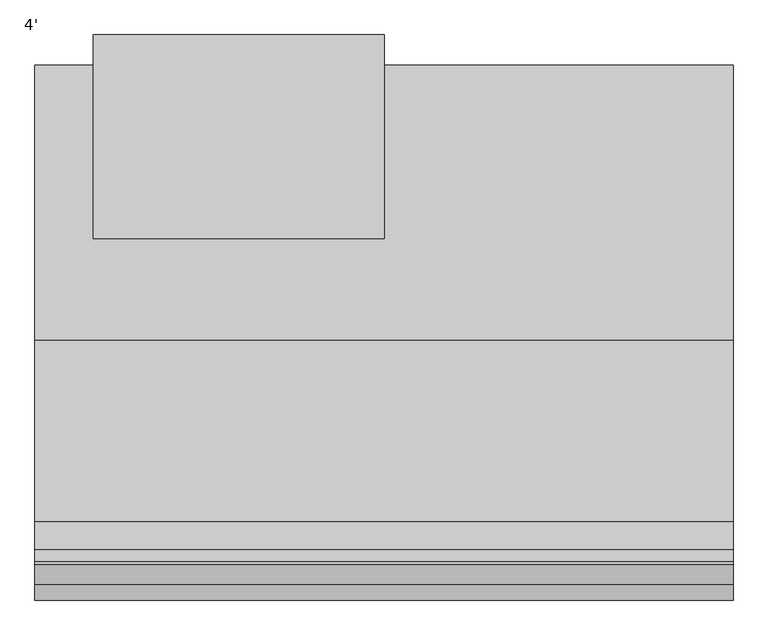
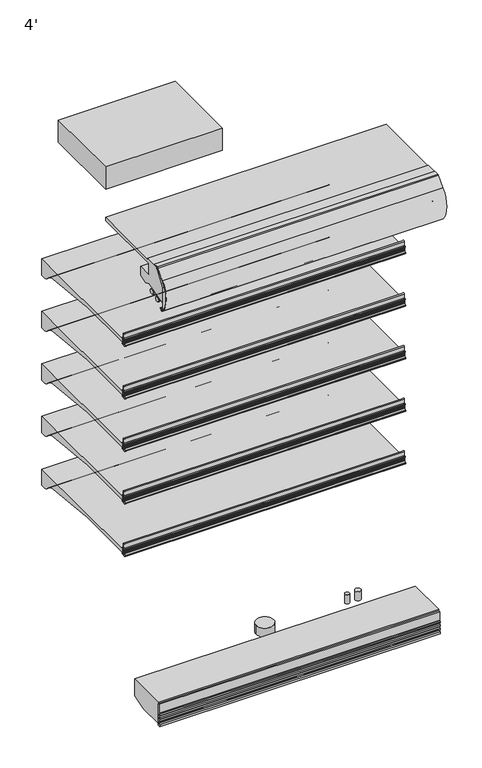
"""IFC4 building model written with IfcOpenShell, lengths in millimetres: proxy geometry, 4'."""

from ifc_helpers import new_model, si_unit, point, frame, frame_2d, origin, place, context, project, spatial, polyline, circle_curve, trimmed, segment, composite_curve, outline, extrude, source, transform, mapped, element, save
from ifc_brep_helpers import plane_surface, cylinder_surface, advanced_brep


def proxy_4_90b18c0f(model_context):
    return source(origin(), model_context, "Body", "SolidModel", [
        extrude(outline(composite_curve([segment(polyline([(-1166.6809512, 673.3590118), (-1166.6809512, 627.2869913), (-1172.3025077, 627.2869913), (-1172.3025077, 673.3590118)]), True, "CONTINUOUS"), segment(trimmed(circle_curve(frame_2d((-1169.4917294, 673.3590118)), 2.8107783), [point((-1172.3025077, 673.3590118))], [point((-1166.6809512, 673.3590118))], False, "CARTESIAN"), True, "CONTINUOUS")], self_intersect=False)), frame((0.0, 0.0, 0.0), z_axis=(1.0, 0.0, 0.0), x_axis=(0.0, 1.0, 0.0)), (0.0, 0.0, 1.0), 1219.2),
        extrude(outline(composite_curve([segment(trimmed(circle_curve(frame_2d((-1163.4504929, 651.4868368)), 1.9280539), [point((-1161.7517309, 652.3987576))], [point((-1165.331757, 651.9090184))], True, "CARTESIAN"), True, "CONTINUOUS"), segment(polyline([(-1165.331757, 651.9090184), (-1165.250252, 627.491416)]), True, "CONTINUOUS"), segment(trimmed(circle_curve(frame_2d((-1163.3310491, 627.4978222)), 1.9192136), [point((-1165.250252, 627.491416))], [point((-1161.7034586, 626.4808021))], True, "CARTESIAN"), True, "CONTINUOUS"), segment(polyline([(-1161.7034586, 626.4808021), (-1160.7655732, 628.4261116), (-1159.7610244, 628.067256), (-1160.5780157, 625.7802423)]), True, "CONTINUOUS"), segment(trimmed(circle_curve(frame_2d((-1163.9150962, 626.6263023)), 3.4426623), [point((-1160.5780157, 625.7802423))], [point((-1163.425503, 623.2186312))], False, "CARTESIAN"), True, "CONTINUOUS"), segment(polyline([(-1163.425503, 623.2186312), (-1175.1969589, 621.2859884)]), True, "CONTINUOUS"), segment(trimmed(circle_curve(frame_2d((-1176.0623556, 624.8178953)), 3.6363825), [point((-1175.1969589, 621.2859884))], [point((-1176.8707168, 621.2724997))], False, "CARTESIAN"), True, "CONTINUOUS"), segment(trimmed(circle_curve(frame_2d((-1175.662177, 627.6109197)), 6.4526069), [point((-1176.8707168, 621.2724997))], [point((-1181.8828486, 625.8964572))], False, "CARTESIAN"), True, "CONTINUOUS"), segment(trimmed(circle_curve(frame_2d((-1181.3604941, 626.058445)), 0.5468951), [point((-1181.8828486, 625.8964572))], [point((-1180.9789417, 626.450251))], False, "CARTESIAN"), True, "CONTINUOUS"), segment(polyline([(-1180.9789417, 626.450251), (-1180.476531, 624.9916703)]), True, "CONTINUOUS"), segment(trimmed(circle_curve(frame_2d((-1179.8915211, 625.193178)), 0.6187422), [point((-1180.476531, 624.9916703))], [point((-1179.2817387, 625.0882627))], True, "CARTESIAN"), True, "CONTINUOUS"), segment(trimmed(circle_curve(frame_2d((-1200.8573005, 639.2081773)), 25.7852062), [point((-1179.2817387, 625.0882627))], [point((-1175.8138409, 633.0679827))], True, "CARTESIAN"), True, "CONTINUOUS"), segment(trimmed(circle_curve(frame_2d((-1176.043253, 634.0002362)), 0.9600659), [point((-1175.8138409, 633.0679827))], [point((-1175.3385731, 634.6522736))], True, "CARTESIAN"), True, "CONTINUOUS"), segment(polyline([(-1175.3385731, 634.6522736), (-1174.9159447, 637.4202118)]), True, "CONTINUOUS"), segment(trimmed(circle_curve(frame_2d((-1175.2488063, 638.3116775)), 0.9515818), [point((-1174.9159447, 637.4202118))], [point((-1174.7299165, 639.1093373))], True, "CARTESIAN"), True, "CONTINUOUS"), segment(polyline([(-1174.7299165, 639.1093373), (-1174.6443367, 643.2740469), (-1173.8383813, 646.5265397), (-1174.6268164, 646.72591), (-1174.6268164, 651.4923226), (-1175.4872628, 651.4923226)]), True, "CONTINUOUS"), segment(trimmed(circle_curve(frame_2d((-1183.4029864, 648.5576543)), 8.4422129), [point((-1175.4872628, 651.4923226))], [point((-1177.4034441, 654.4970525))], True, "CARTESIAN"), True, "CONTINUOUS"), segment(trimmed(circle_curve(frame_2d((-1177.9034836, 654.120097)), 0.6262068), [point((-1177.4034441, 654.4970525))], [point((-1178.3956204, 654.507313))], True, "CARTESIAN"), True, "CONTINUOUS"), segment(polyline([(-1178.3956204, 654.507313), (-1178.9699684, 652.9277082)]), True, "CONTINUOUS"), segment(trimmed(circle_curve(frame_2d((-1179.4707304, 653.0647503)), 0.5191754), [point((-1178.9699684, 652.9277082))], [point((-1179.9893103, 653.0896108))], False, "CARTESIAN"), True, "CONTINUOUS"), segment(polyline([(-1179.9893103, 653.0896108), (-1179.6344995, 654.0659516), (-1179.0270967, 655.1476351)]), True, "CONTINUOUS"), segment(trimmed(circle_curve(frame_2d((-1177.9637464, 654.6690909)), 1.1660697), [point((-1179.0270967, 655.1476351))], [point((-1178.012063, 655.8341591))], False, "CARTESIAN"), True, "CONTINUOUS"), segment(polyline([(-1178.012063, 655.8341591), (-1172.4315975, 655.8341591), (-1172.7816684, 639.8794823)]), True, "CONTINUOUS"), segment(trimmed(circle_curve(frame_2d((-1204.7325475, 641.2071084)), 31.9784501), [point((-1172.7816684, 639.8794823))], [point((-1175.8839973, 627.4091948))], False, "CARTESIAN"), True, "CONTINUOUS"), segment(trimmed(circle_curve(frame_2d((-1173.5772773, 626.4881969)), 2.4837863), [point((-1175.8839973, 627.4091948))], [point((-1173.3647043, 624.0135238))], True, "CARTESIAN"), True, "CONTINUOUS"), segment(polyline([(-1173.3647043, 624.0135238), (-1168.8550638, 624.7374041)]), True, "CONTINUOUS"), segment(trimmed(circle_curve(frame_2d((-1169.2651209, 627.3013858)), 2.5965648), [point((-1168.8550638, 624.7374041))], [point((-1166.6809512, 627.0479772))], True, "CARTESIAN"), True, "CONTINUOUS"), segment(polyline([(-1166.6809512, 627.0479772), (-1166.6809512, 655.8555063), (-1163.974361, 655.8555063)]), True, "CONTINUOUS"), segment(trimmed(circle_curve(frame_2d((-1164.2104521, 652.5229101)), 3.3409484), [point((-1163.974361, 655.8555063))], [point((-1161.2402611, 654.0525838))], False, "CARTESIAN"), True, "CONTINUOUS"), segment(polyline([(-1161.2402611, 654.0525838), (-1160.0124559, 650.9106294), (-1161.016829, 650.5181429), (-1161.7517309, 652.3987576)]), True, "CONTINUOUS")], self_intersect=False)), frame((0.0, 0.0, 0.0), z_axis=(1.0, 0.0, 0.0), x_axis=(0.0, 1.0, 0.0)), (0.0, 0.0, 1.0), 1219.2),
        extrude(outline(composite_curve([segment(polyline([(-1166.6809512, 914.6590118), (-1166.6809512, 868.5869913), (-1172.3025077, 868.5869913), (-1172.3025077, 914.6590118)]), True, "CONTINUOUS"), segment(trimmed(circle_curve(frame_2d((-1169.4917294, 914.6590118)), 2.8107783), [point((-1172.3025077, 914.6590118))], [point((-1166.6809512, 914.6590118))], False, "CARTESIAN"), True, "CONTINUOUS")], self_intersect=False)), frame((0.0, 0.0, 0.0), z_axis=(1.0, 0.0, 0.0), x_axis=(0.0, 1.0, 0.0)), (0.0, 0.0, 1.0), 1219.2),
        extrude(outline(composite_curve([segment(trimmed(circle_curve(frame_2d((-1163.4504929, 892.7868368)), 1.9280539), [point((-1161.7517309, 893.6987576))], [point((-1165.331757, 893.2090184))], True, "CARTESIAN"), True, "CONTINUOUS"), segment(polyline([(-1165.331757, 893.2090184), (-1165.250252, 868.791416)]), True, "CONTINUOUS"), segment(trimmed(circle_curve(frame_2d((-1163.3310491, 868.7978222)), 1.9192136), [point((-1165.250252, 868.791416))], [point((-1161.7034586, 867.7808021))], True, "CARTESIAN"), True, "CONTINUOUS"), segment(polyline([(-1161.7034586, 867.7808021), (-1160.7655732, 869.7261116), (-1159.7610244, 869.367256), (-1160.5780157, 867.0802423)]), True, "CONTINUOUS"), segment(trimmed(circle_curve(frame_2d((-1163.9150962, 867.9263023)), 3.4426623), [point((-1160.5780157, 867.0802423))], [point((-1163.425503, 864.5186312))], False, "CARTESIAN"), True, "CONTINUOUS"), segment(polyline([(-1163.425503, 864.5186312), (-1175.1969589, 862.5859884)]), True, "CONTINUOUS"), segment(trimmed(circle_curve(frame_2d((-1176.0623556, 866.1178953)), 3.6363825), [point((-1175.1969589, 862.5859884))], [point((-1176.8707168, 862.5724997))], False, "CARTESIAN"), True, "CONTINUOUS"), segment(trimmed(circle_curve(frame_2d((-1175.662177, 868.9109197)), 6.4526069), [point((-1176.8707168, 862.5724997))], [point((-1181.8828486, 867.1964572))], False, "CARTESIAN"), True, "CONTINUOUS"), segment(trimmed(circle_curve(frame_2d((-1181.3604941, 867.358445)), 0.5468951), [point((-1181.8828486, 867.1964572))], [point((-1180.9789417, 867.750251))], False, "CARTESIAN"), True, "CONTINUOUS"), segment(polyline([(-1180.9789417, 867.750251), (-1180.476531, 866.2916703)]), True, "CONTINUOUS"), segment(trimmed(circle_curve(frame_2d((-1179.8915211, 866.493178)), 0.6187422), [point((-1180.476531, 866.2916703))], [point((-1179.2817387, 866.3882627))], True, "CARTESIAN"), True, "CONTINUOUS"), segment(trimmed(circle_curve(frame_2d((-1200.8573005, 880.5081773)), 25.7852062), [point((-1179.2817387, 866.3882627))], [point((-1175.8138409, 874.3679827))], True, "CARTESIAN"), True, "CONTINUOUS"), segment(trimmed(circle_curve(frame_2d((-1176.043253, 875.3002362)), 0.9600659), [point((-1175.8138409, 874.3679827))], [point((-1175.3385731, 875.9522736))], True, "CARTESIAN"), True, "CONTINUOUS"), segment(polyline([(-1175.3385731, 875.9522736), (-1174.9159447, 878.7202118)]), True, "CONTINUOUS"), segment(trimmed(circle_curve(frame_2d((-1175.2488063, 879.6116775)), 0.9515818), [point((-1174.9159447, 878.7202118))], [point((-1174.7299165, 880.4093373))], True, "CARTESIAN"), True, "CONTINUOUS"), segment(polyline([(-1174.7299165, 880.4093373), (-1174.6443367, 884.5740469), (-1173.8383813, 887.8265397), (-1174.6268164, 888.02591), (-1174.6268164, 892.7923226), (-1175.4872628, 892.7923226)]), True, "CONTINUOUS"), segment(trimmed(circle_curve(frame_2d((-1183.4029864, 889.8576543)), 8.4422129), [point((-1175.4872628, 892.7923226))], [point((-1177.4034441, 895.7970525))], True, "CARTESIAN"), True, "CONTINUOUS"), segment(trimmed(circle_curve(frame_2d((-1177.9034836, 895.420097)), 0.6262068), [point((-1177.4034441, 895.7970525))], [point((-1178.3956204, 895.807313))], True, "CARTESIAN"), True, "CONTINUOUS"), segment(polyline([(-1178.3956204, 895.807313), (-1178.9699684, 894.2277082)]), True, "CONTINUOUS"), segment(trimmed(circle_curve(frame_2d((-1179.4707304, 894.3647503)), 0.5191754), [point((-1178.9699684, 894.2277082))], [point((-1179.9893103, 894.3896108))], False, "CARTESIAN"), True, "CONTINUOUS"), segment(polyline([(-1179.9893103, 894.3896108), (-1179.6344995, 895.3659516), (-1179.0270967, 896.4476351)]), True, "CONTINUOUS"), segment(trimmed(circle_curve(frame_2d((-1177.9637464, 895.9690909)), 1.1660697), [point((-1179.0270967, 896.4476351))], [point((-1178.012063, 897.1341591))], False, "CARTESIAN"), True, "CONTINUOUS"), segment(polyline([(-1178.012063, 897.1341591), (-1172.4315975, 897.1341591), (-1172.7816684, 881.1794823)]), True, "CONTINUOUS"), segment(trimmed(circle_curve(frame_2d((-1204.7325475, 882.5071084)), 31.9784501), [point((-1172.7816684, 881.1794823))], [point((-1175.8839973, 868.7091948))], False, "CARTESIAN"), True, "CONTINUOUS"), segment(trimmed(circle_curve(frame_2d((-1173.5772773, 867.7881969)), 2.4837863), [point((-1175.8839973, 868.7091948))], [point((-1173.3647043, 865.3135238))], True, "CARTESIAN"), True, "CONTINUOUS"), segment(polyline([(-1173.3647043, 865.3135238), (-1168.8550638, 866.0374041)]), True, "CONTINUOUS"), segment(trimmed(circle_curve(frame_2d((-1169.2651209, 868.6013858)), 2.5965648), [point((-1168.8550638, 866.0374041))], [point((-1166.6809512, 868.3479772))], True, "CARTESIAN"), True, "CONTINUOUS"), segment(polyline([(-1166.6809512, 868.3479772), (-1166.6809512, 897.1555063), (-1163.974361, 897.1555063)]), True, "CONTINUOUS"), segment(trimmed(circle_curve(frame_2d((-1164.2104521, 893.8229101)), 3.3409484), [point((-1163.974361, 897.1555063))], [point((-1161.2402611, 895.3525838))], False, "CARTESIAN"), True, "CONTINUOUS"), segment(polyline([(-1161.2402611, 895.3525838), (-1160.0124559, 892.2106294), (-1161.016829, 891.8181429), (-1161.7517309, 893.6987576)]), True, "CONTINUOUS")], self_intersect=False)), frame((0.0, 0.0, 0.0), z_axis=(1.0, 0.0, 0.0), x_axis=(0.0, 1.0, 0.0)), (0.0, 0.0, 1.0), 1219.2),
        extrude(outline(composite_curve([segment(polyline([(-1166.6809512, 1155.9590118), (-1166.6809512, 1109.8869913), (-1172.3025077, 1109.8869913), (-1172.3025077, 1155.9590118)]), True, "CONTINUOUS"), segment(trimmed(circle_curve(frame_2d((-1169.4917294, 1155.9590118)), 2.8107783), [point((-1172.3025077, 1155.9590118))], [point((-1166.6809512, 1155.9590118))], False, "CARTESIAN"), True, "CONTINUOUS")], self_intersect=False)), frame((0.0, 0.0, 0.0), z_axis=(1.0, 0.0, 0.0), x_axis=(0.0, 1.0, 0.0)), (0.0, 0.0, 1.0), 1219.2),
        extrude(outline(composite_curve([segment(trimmed(circle_curve(frame_2d((-1163.4504929, 1134.0868368)), 1.9280539), [point((-1161.7517309, 1134.9987576))], [point((-1165.331757, 1134.5090184))], True, "CARTESIAN"), True, "CONTINUOUS"), segment(polyline([(-1165.331757, 1134.5090184), (-1165.250252, 1110.091416)]), True, "CONTINUOUS"), segment(trimmed(circle_curve(frame_2d((-1163.3310491, 1110.0978222)), 1.9192136), [point((-1165.250252, 1110.091416))], [point((-1161.7034586, 1109.0808021))], True, "CARTESIAN"), True, "CONTINUOUS"), segment(polyline([(-1161.7034586, 1109.0808021), (-1160.7655732, 1111.0261116), (-1159.7610244, 1110.667256), (-1160.5780157, 1108.3802423)]), True, "CONTINUOUS"), segment(trimmed(circle_curve(frame_2d((-1163.9150962, 1109.2263023)), 3.4426623), [point((-1160.5780157, 1108.3802423))], [point((-1163.425503, 1105.8186312))], False, "CARTESIAN"), True, "CONTINUOUS"), segment(polyline([(-1163.425503, 1105.8186312), (-1175.1969589, 1103.8859884)]), True, "CONTINUOUS"), segment(trimmed(circle_curve(frame_2d((-1176.0623556, 1107.4178953)), 3.6363825), [point((-1175.1969589, 1103.8859884))], [point((-1176.8707168, 1103.8724997))], False, "CARTESIAN"), True, "CONTINUOUS"), segment(trimmed(circle_curve(frame_2d((-1175.662177, 1110.2109197)), 6.4526069), [point((-1176.8707168, 1103.8724997))], [point((-1181.8828486, 1108.4964572))], False, "CARTESIAN"), True, "CONTINUOUS"), segment(trimmed(circle_curve(frame_2d((-1181.3604941, 1108.658445)), 0.5468951), [point((-1181.8828486, 1108.4964572))], [point((-1180.9789417, 1109.050251))], False, "CARTESIAN"), True, "CONTINUOUS"), segment(polyline([(-1180.9789417, 1109.050251), (-1180.476531, 1107.5916703)]), True, "CONTINUOUS"), segment(trimmed(circle_curve(frame_2d((-1179.8915211, 1107.793178)), 0.6187422), [point((-1180.476531, 1107.5916703))], [point((-1179.2817387, 1107.6882627))], True, "CARTESIAN"), True, "CONTINUOUS"), segment(trimmed(circle_curve(frame_2d((-1200.8573005, 1121.8081773)), 25.7852062), [point((-1179.2817387, 1107.6882627))], [point((-1175.8138409, 1115.6679827))], True, "CARTESIAN"), True, "CONTINUOUS"), segment(trimmed(circle_curve(frame_2d((-1176.043253, 1116.6002362)), 0.9600659), [point((-1175.8138409, 1115.6679827))], [point((-1175.3385731, 1117.2522736))], True, "CARTESIAN"), True, "CONTINUOUS"), segment(polyline([(-1175.3385731, 1117.2522736), (-1174.9159447, 1120.0202118)]), True, "CONTINUOUS"), segment(trimmed(circle_curve(frame_2d((-1175.2488063, 1120.9116775)), 0.9515818), [point((-1174.9159447, 1120.0202118))], [point((-1174.7299165, 1121.7093373))], True, "CARTESIAN"), True, "CONTINUOUS"), segment(polyline([(-1174.7299165, 1121.7093373), (-1174.6443367, 1125.8740469), (-1173.8383813, 1129.1265397), (-1174.6268164, 1129.32591), (-1174.6268164, 1134.0923226), (-1175.4872628, 1134.0923226)]), True, "CONTINUOUS"), segment(trimmed(circle_curve(frame_2d((-1183.4029864, 1131.1576543)), 8.4422129), [point((-1175.4872628, 1134.0923226))], [point((-1177.4034441, 1137.0970525))], True, "CARTESIAN"), True, "CONTINUOUS"), segment(trimmed(circle_curve(frame_2d((-1177.9034836, 1136.720097)), 0.6262068), [point((-1177.4034441, 1137.0970525))], [point((-1178.3956204, 1137.107313))], True, "CARTESIAN"), True, "CONTINUOUS"), segment(polyline([(-1178.3956204, 1137.107313), (-1178.9699684, 1135.5277082)]), True, "CONTINUOUS"), segment(trimmed(circle_curve(frame_2d((-1179.4707304, 1135.6647503)), 0.5191754), [point((-1178.9699684, 1135.5277082))], [point((-1179.9893103, 1135.6896108))], False, "CARTESIAN"), True, "CONTINUOUS"), segment(polyline([(-1179.9893103, 1135.6896108), (-1179.6344995, 1136.6659516), (-1179.0270967, 1137.7476351)]), True, "CONTINUOUS"), segment(trimmed(circle_curve(frame_2d((-1177.9637464, 1137.2690909)), 1.1660697), [point((-1179.0270967, 1137.7476351))], [point((-1178.012063, 1138.4341591))], False, "CARTESIAN"), True, "CONTINUOUS"), segment(polyline([(-1178.012063, 1138.4341591), (-1172.4315975, 1138.4341591), (-1172.7816684, 1122.4794823)]), True, "CONTINUOUS"), segment(trimmed(circle_curve(frame_2d((-1204.7325475, 1123.8071084)), 31.9784501), [point((-1172.7816684, 1122.4794823))], [point((-1175.8839973, 1110.0091948))], False, "CARTESIAN"), True, "CONTINUOUS"), segment(trimmed(circle_curve(frame_2d((-1173.5772773, 1109.0881969)), 2.4837863), [point((-1175.8839973, 1110.0091948))], [point((-1173.3647043, 1106.6135238))], True, "CARTESIAN"), True, "CONTINUOUS"), segment(polyline([(-1173.3647043, 1106.6135238), (-1168.8550638, 1107.3374041)]), True, "CONTINUOUS"), segment(trimmed(circle_curve(frame_2d((-1169.2651209, 1109.9013858)), 2.5965648), [point((-1168.8550638, 1107.3374041))], [point((-1166.6809512, 1109.6479772))], True, "CARTESIAN"), True, "CONTINUOUS"), segment(polyline([(-1166.6809512, 1109.6479772), (-1166.6809512, 1138.4555063), (-1163.974361, 1138.4555063)]), True, "CONTINUOUS"), segment(trimmed(circle_curve(frame_2d((-1164.2104521, 1135.1229101)), 3.3409484), [point((-1163.974361, 1138.4555063))], [point((-1161.2402611, 1136.6525838))], False, "CARTESIAN"), True, "CONTINUOUS"), segment(polyline([(-1161.2402611, 1136.6525838), (-1160.0124559, 1133.5106294), (-1161.016829, 1133.1181429), (-1161.7517309, 1134.9987576)]), True, "CONTINUOUS")], self_intersect=False)), frame((0.0, 0.0, 0.0), z_axis=(1.0, 0.0, 0.0), x_axis=(0.0, 1.0, 0.0)), (0.0, 0.0, 1.0), 1219.2),
        extrude(outline(composite_curve([segment(polyline([(-1166.6809512, 1397.2590118), (-1166.6809512, 1351.1869913), (-1172.3025077, 1351.1869913), (-1172.3025077, 1397.2590118)]), True, "CONTINUOUS"), segment(trimmed(circle_curve(frame_2d((-1169.4917294, 1397.2590118)), 2.8107783), [point((-1172.3025077, 1397.2590118))], [point((-1166.6809512, 1397.2590118))], False, "CARTESIAN"), True, "CONTINUOUS")], self_intersect=False)), frame((0.0, 0.0, 0.0), z_axis=(1.0, 0.0, 0.0), x_axis=(0.0, 1.0, 0.0)), (0.0, 0.0, 1.0), 1219.2),
        extrude(outline(composite_curve([segment(trimmed(circle_curve(frame_2d((-1163.4504929, 1375.3868368)), 1.9280539), [point((-1161.7517309, 1376.2987576))], [point((-1165.331757, 1375.8090184))], True, "CARTESIAN"), True, "CONTINUOUS"), segment(polyline([(-1165.331757, 1375.8090184), (-1165.250252, 1351.391416)]), True, "CONTINUOUS"), segment(trimmed(circle_curve(frame_2d((-1163.3310491, 1351.3978222)), 1.9192136), [point((-1165.250252, 1351.391416))], [point((-1161.7034586, 1350.3808021))], True, "CARTESIAN"), True, "CONTINUOUS"), segment(polyline([(-1161.7034586, 1350.3808021), (-1160.7655732, 1352.3261116), (-1159.7610244, 1351.967256), (-1160.5780157, 1349.6802423)]), True, "CONTINUOUS"), segment(trimmed(circle_curve(frame_2d((-1163.9150962, 1350.5263023)), 3.4426623), [point((-1160.5780157, 1349.6802423))], [point((-1163.425503, 1347.1186312))], False, "CARTESIAN"), True, "CONTINUOUS"), segment(polyline([(-1163.425503, 1347.1186312), (-1175.1969589, 1345.1859884)]), True, "CONTINUOUS"), segment(trimmed(circle_curve(frame_2d((-1176.0623556, 1348.7178953)), 3.6363825), [point((-1175.1969589, 1345.1859884))], [point((-1176.8707168, 1345.1724997))], False, "CARTESIAN"), True, "CONTINUOUS"), segment(trimmed(circle_curve(frame_2d((-1175.662177, 1351.5109197)), 6.4526069), [point((-1176.8707168, 1345.1724997))], [point((-1181.8828486, 1349.7964572))], False, "CARTESIAN"), True, "CONTINUOUS"), segment(trimmed(circle_curve(frame_2d((-1181.3604941, 1349.958445)), 0.5468951), [point((-1181.8828486, 1349.7964572))], [point((-1180.9789417, 1350.350251))], False, "CARTESIAN"), True, "CONTINUOUS"), segment(polyline([(-1180.9789417, 1350.350251), (-1180.476531, 1348.8916703)]), True, "CONTINUOUS"), segment(trimmed(circle_curve(frame_2d((-1179.8915211, 1349.093178)), 0.6187422), [point((-1180.476531, 1348.8916703))], [point((-1179.2817387, 1348.9882627))], True, "CARTESIAN"), True, "CONTINUOUS"), segment(trimmed(circle_curve(frame_2d((-1200.8573005, 1363.1081773)), 25.7852062), [point((-1179.2817387, 1348.9882627))], [point((-1175.8138409, 1356.9679827))], True, "CARTESIAN"), True, "CONTINUOUS"), segment(trimmed(circle_curve(frame_2d((-1176.043253, 1357.9002362)), 0.9600659), [point((-1175.8138409, 1356.9679827))], [point((-1175.3385731, 1358.5522736))], True, "CARTESIAN"), True, "CONTINUOUS"), segment(polyline([(-1175.3385731, 1358.5522736), (-1174.9159447, 1361.3202118)]), True, "CONTINUOUS"), segment(trimmed(circle_curve(frame_2d((-1175.2488063, 1362.2116775)), 0.9515818), [point((-1174.9159447, 1361.3202118))], [point((-1174.7299165, 1363.0093373))], True, "CARTESIAN"), True, "CONTINUOUS"), segment(polyline([(-1174.7299165, 1363.0093373), (-1174.6443367, 1367.1740469), (-1173.8383813, 1370.4265397), (-1174.6268164, 1370.62591), (-1174.6268164, 1375.3923226), (-1175.4872628, 1375.3923226)]), True, "CONTINUOUS"), segment(trimmed(circle_curve(frame_2d((-1183.4029864, 1372.4576543)), 8.4422129), [point((-1175.4872628, 1375.3923226))], [point((-1177.4034441, 1378.3970525))], True, "CARTESIAN"), True, "CONTINUOUS"), segment(trimmed(circle_curve(frame_2d((-1177.9034836, 1378.020097)), 0.6262068), [point((-1177.4034441, 1378.3970525))], [point((-1178.3956204, 1378.407313))], True, "CARTESIAN"), True, "CONTINUOUS"), segment(polyline([(-1178.3956204, 1378.407313), (-1178.9699684, 1376.8277082)]), True, "CONTINUOUS"), segment(trimmed(circle_curve(frame_2d((-1179.4707304, 1376.9647503)), 0.5191754), [point((-1178.9699684, 1376.8277082))], [point((-1179.9893103, 1376.9896108))], False, "CARTESIAN"), True, "CONTINUOUS"), segment(polyline([(-1179.9893103, 1376.9896108), (-1179.6344995, 1377.9659516), (-1179.0270967, 1379.0476351)]), True, "CONTINUOUS"), segment(trimmed(circle_curve(frame_2d((-1177.9637464, 1378.5690909)), 1.1660697), [point((-1179.0270967, 1379.0476351))], [point((-1178.012063, 1379.7341591))], False, "CARTESIAN"), True, "CONTINUOUS"), segment(polyline([(-1178.012063, 1379.7341591), (-1172.4315975, 1379.7341591), (-1172.7816684, 1363.7794823)]), True, "CONTINUOUS"), segment(trimmed(circle_curve(frame_2d((-1204.7325475, 1365.1071084)), 31.9784501), [point((-1172.7816684, 1363.7794823))], [point((-1175.8839973, 1351.3091948))], False, "CARTESIAN"), True, "CONTINUOUS"), segment(trimmed(circle_curve(frame_2d((-1173.5772773, 1350.3881969)), 2.4837863), [point((-1175.8839973, 1351.3091948))], [point((-1173.3647043, 1347.9135238))], True, "CARTESIAN"), True, "CONTINUOUS"), segment(polyline([(-1173.3647043, 1347.9135238), (-1168.8550638, 1348.6374041)]), True, "CONTINUOUS"), segment(trimmed(circle_curve(frame_2d((-1169.2651209, 1351.2013858)), 2.5965648), [point((-1168.8550638, 1348.6374041))], [point((-1166.6809512, 1350.9479772))], True, "CARTESIAN"), True, "CONTINUOUS"), segment(polyline([(-1166.6809512, 1350.9479772), (-1166.6809512, 1379.7555063), (-1163.974361, 1379.7555063)]), True, "CONTINUOUS"), segment(trimmed(circle_curve(frame_2d((-1164.2104521, 1376.4229101)), 3.3409484), [point((-1163.974361, 1379.7555063))], [point((-1161.2402611, 1377.9525838))], False, "CARTESIAN"), True, "CONTINUOUS"), segment(polyline([(-1161.2402611, 1377.9525838), (-1160.0124559, 1374.8106294), (-1161.016829, 1374.4181429), (-1161.7517309, 1376.2987576)]), True, "CONTINUOUS")], self_intersect=False)), frame((0.0, 0.0, 0.0), z_axis=(1.0, 0.0, 0.0), x_axis=(0.0, 1.0, 0.0)), (0.0, 0.0, 1.0), 1219.2),
        extrude(outline(composite_curve([segment(polyline([(-1401.9895748, 2098.675), (-1422.2402351, 2098.675)]), True, "CONTINUOUS"), segment(trimmed(circle_curve(frame_2d((-1422.2402351, 2094.2009254)), 4.4740745), [point((-1422.2402351, 2098.675))], [point((-1425.458615, 2097.3088788))], True, "CARTESIAN"), True, "CONTINUOUS"), segment(polyline([(-1425.458615, 2097.3088788), (-1460.7854536, 2060.7268666)]), True, "CONTINUOUS"), segment(trimmed(circle_curve(frame_2d((-1388.5044641, 1990.9259263)), 100.4824), [point((-1460.7854536, 2060.7268666))], [point((-1469.2767016, 2050.6968084))], True, "CARTESIAN"), True, "CONTINUOUS"), segment(trimmed(circle_curve(frame_2d((-1388.5044641, 1990.9259263)), 100.4824), [point((-1469.2767016, 2050.6968084))], [point((-1461.9926392, 1922.3970943))], True, "CARTESIAN"), True, "CONTINUOUS"), segment(trimmed(circle_curve(frame_2d((-1458.1659041, 1925.9655825)), 5.2324), [point((-1461.9926392, 1922.3970943))], [point((-1454.4660386, 1922.265717))], True, "CARTESIAN"), True, "CONTINUOUS"), segment(polyline([(-1454.4660386, 1922.265717), (-1447.8924911, 1928.8392645), (-1446.4556502, 1927.4024235), (-1453.0291976, 1920.828876)]), True, "CONTINUOUS"), segment(trimmed(circle_curve(frame_2d((-1458.1659041, 1925.9655825)), 7.2644), [point((-1453.0291976, 1920.828876))], [point((-1463.47875, 1921.0112736))], False, "CARTESIAN"), True, "CONTINUOUS"), segment(trimmed(circle_curve(frame_2d((-1388.5044641, 1990.9259263)), 102.5144), [point((-1463.47875, 1921.0112736))], [point((-1462.2471521, 2062.1384124))], False, "CARTESIAN"), True, "CONTINUOUS"), segment(polyline([(-1462.2471521, 2062.1384124), (-1427.6113468, 2098.0048387)]), True, "CONTINUOUS"), segment(trimmed(circle_curve(frame_2d((-1422.3857748, 2092.9585624)), 7.2644), [point((-1427.6113468, 2098.0048387))], [point((-1422.3857748, 2100.2229624))], False, "CARTESIAN"), True, "CONTINUOUS"), segment(polyline([(-1422.3857748, 2100.2229624), (-1401.9895748, 2100.2229624), (-1401.9895748, 2098.675)]), True, "CONTINUOUS")], self_intersect=False)), frame((0.0, 0.0, 0.0), z_axis=(1.0, 0.0, 0.0), x_axis=(0.0, 1.0, 0.0)), (0.0, 0.0, 1.0), 1219.2),
        extrude(outline(composite_curve([segment(trimmed(circle_curve(frame_2d((-1382.6450033, 1963.4468051)), 11.1125), [point((-1393.7574982, 1963.4361068))], [point((-1371.5325085, 1963.4575034))], False, "CARTESIAN"), True, "CONTINUOUS"), segment(trimmed(circle_curve(frame_2d((-1382.6450033, 1963.4468051)), 11.1125), [point((-1371.5325085, 1963.4575034))], [point((-1393.7574982, 1963.4361068))], False, "CARTESIAN"), True, "CONTINUOUS")], self_intersect=False)), frame((0.0, 0.0, 0.0), z_axis=(1.0, 0.0, 0.0), x_axis=(0.0, 1.0, 0.0)), (0.0, 0.0, 1.0), 1219.2),
        extrude(outline(composite_curve([segment(trimmed(circle_curve(frame_2d((-1422.7955513, 1952.5918872)), 11.1125), [point((-1433.9080461, 1952.5811889))], [point((-1411.6830564, 1952.6025854))], False, "CARTESIAN"), True, "CONTINUOUS"), segment(trimmed(circle_curve(frame_2d((-1422.7955513, 1952.5918872)), 11.1125), [point((-1411.6830564, 1952.6025854))], [point((-1433.9080461, 1952.5811889))], False, "CARTESIAN"), True, "CONTINUOUS")], self_intersect=False)), frame((0.0, 0.0, 0.0), z_axis=(1.0, 0.0, 0.0), x_axis=(0.0, 1.0, 0.0)), (0.0, 0.0, 1.0), 1219.2),
        extrude(outline(composite_curve([segment(polyline([(-1421.4795117, 2098.675), (-1353.1925343, 2098.675), (-1353.1925343, 2094.407711), (-1036.8679254, 2094.407711), (-1036.8679254, 2079.9361513), (-1361.2177409, 2079.9361513), (-1361.2177409, 2029.1361513), (-1300.8277259, 2029.1361513), (-1300.8277259, 1989.1126887), (-1337.1349866, 1975.8979266), (-1362.075082, 1987.5276841), (-1465.8717206, 1959.7154586), (-1465.8717206, 1929.2913231)]), True, "CONTINUOUS"), segment(trimmed(circle_curve(frame_2d((-1464.2842206, 1929.2913231)), 1.5875), [point((-1465.8717206, 1929.2913231))], [point((-1464.8010601, 1927.7903123))], True, "CARTESIAN"), True, "CONTINUOUS"), segment(polyline([(-1464.8010601, 1927.7903123), (-1454.6095723, 1924.2811017)]), True, "CONTINUOUS"), segment(trimmed(circle_curve(frame_2d((-1454.0927328, 1925.7821124)), 1.5875), [point((-1454.6095723, 1924.2811017))], [point((-1452.9702008, 1924.6595804))], True, "CARTESIAN"), True, "CONTINUOUS"), segment(polyline([(-1452.9702008, 1924.6595804), (-1449.6242529, 1928.0055284)]), True, "CONTINUOUS"), segment(trimmed(circle_curve(frame_2d((-1449.3997464, 1927.781022)), 0.3175), [point((-1449.6242529, 1928.0055284))], [point((-1449.17524, 1927.5565156))], False, "CARTESIAN"), True, "CONTINUOUS"), segment(polyline([(-1449.17524, 1927.5565156), (-1452.521188, 1924.2105676)]), True, "CONTINUOUS"), segment(trimmed(circle_curve(frame_2d((-1454.0927328, 1925.7821124)), 2.2225), [point((-1452.521188, 1924.2105676))], [point((-1454.8163081, 1923.6806974))], False, "CARTESIAN"), True, "CONTINUOUS"), segment(polyline([(-1454.8163081, 1923.6806974), (-1465.0077959, 1927.189908)]), True, "CONTINUOUS"), segment(trimmed(circle_curve(frame_2d((-1464.2842206, 1929.2913231)), 2.2225), [point((-1465.0077959, 1927.189908))], [point((-1466.5067206, 1929.2913231))], False, "CARTESIAN"), True, "CONTINUOUS"), segment(polyline([(-1466.5067206, 1929.2913231), (-1466.5067206, 2031.5920746), (-1432.9095117, 2079.5738616), (-1432.9095117, 2083.5097624), (-1421.4795117, 2094.6095624), (-1421.4795117, 2098.675)]), True, "CONTINUOUS")], self_intersect=False)), frame((0.0, 0.0, 0.0), z_axis=(1.0, 0.0, 0.0), x_axis=(0.0, 1.0, 0.0)), (0.0, 0.0, 1.0), 1219.2),
        extrude(outline(polyline([(609.6, -502.5186137), (609.6, -858.1186137), (101.6, -858.1186137), (101.6, -502.5186137), (609.6, -502.5186137)])), frame((0.0, 0.0, 2079.9361513), z_axis=(0.0, 0.0, 1.0), x_axis=(1.0, 0.0, 0.0)), (0.0, 0.0, 1.0), 102.0572),
        extrude(outline(composite_curve([segment(polyline([(-1430.4508502, 0.0), (-1442.1812873, 0.0), (-1442.1812873, 8.4852001)]), True, "CONTINUOUS"), segment(trimmed(circle_curve(frame_2d((-1443.1437506, 15.2920025)), 6.8745105), [point((-1442.1812873, 8.4852001))], [point((-1436.5835392, 13.2371249))], True, "CARTESIAN"), True, "CONTINUOUS"), segment(polyline([(-1436.5835392, 13.2371249), (-1434.9883529, 18.9518946), (-1440.3853294, 17.8570836), (-1441.3969712, 17.8570836), (-1441.3969712, 24.300662)]), True, "CONTINUOUS"), segment(trimmed(circle_curve(frame_2d((-1443.6384576, 31.1512245)), 7.2079448), [point((-1441.3969712, 24.300662))], [point((-1436.7586105, 29.001301))], True, "CARTESIAN"), True, "CONTINUOUS"), segment(polyline([(-1436.7586105, 29.001301), (-1434.9883529, 34.6662009), (-1440.3853294, 33.5713898), (-1441.3969712, 33.5713898), (-1441.3969712, 40.0149682)]), True, "CONTINUOUS"), segment(trimmed(circle_curve(frame_2d((-1443.6751786, 46.9017652)), 7.2538404), [point((-1441.3969712, 40.0149682))], [point((-1436.7586105, 44.7156073))], True, "CARTESIAN"), True, "CONTINUOUS"), segment(polyline([(-1436.7586105, 44.7156073), (-1434.9883529, 50.3163494), (-1440.3853294, 49.2857909), (-1441.3969712, 49.2857909), (-1441.3969712, 55.7293693)]), True, "CONTINUOUS"), segment(trimmed(circle_curve(frame_2d((-1441.0936844, 61.292491)), 5.5713828), [point((-1441.3969712, 55.7293693))], [point((-1437.1434491, 57.3636302))], True, "CARTESIAN"), True, "CONTINUOUS"), segment(polyline([(-1437.1434491, 57.3636302), (-1437.1434491, 59.2060524), (-1437.1434491, 98.81235), (-1430.4508502, 98.81235), (-1430.4508502, 0.0)]), True, "CONTINUOUS")], self_intersect=False)), frame((0.0, 0.0, 0.0), z_axis=(1.0, 0.0, 0.0), x_axis=(0.0, 1.0, 0.0)), (0.0, 0.0, 1.0), 1219.2),
        extrude(outline(composite_curve([segment(polyline([(-1166.6809512, 1638.5590118), (-1166.6809512, 1592.4869913), (-1172.3025077, 1592.4869913), (-1172.3025077, 1638.5590118)]), True, "CONTINUOUS"), segment(trimmed(circle_curve(frame_2d((-1169.4917294, 1638.5590118)), 2.8107783), [point((-1172.3025077, 1638.5590118))], [point((-1166.6809512, 1638.5590118))], False, "CARTESIAN"), True, "CONTINUOUS")], self_intersect=False)), frame((0.0, 0.0, 0.0), z_axis=(1.0, 0.0, 0.0), x_axis=(0.0, 1.0, 0.0)), (0.0, 0.0, 1.0), 1219.2),
        extrude(outline(composite_curve([segment(trimmed(circle_curve(frame_2d((-1163.4504929, 1616.6868368)), 1.9280539), [point((-1161.7517309, 1617.5987576))], [point((-1165.331757, 1617.1090184))], True, "CARTESIAN"), True, "CONTINUOUS"), segment(polyline([(-1165.331757, 1617.1090184), (-1165.250252, 1592.691416)]), True, "CONTINUOUS"), segment(trimmed(circle_curve(frame_2d((-1163.3310491, 1592.6978222)), 1.9192136), [point((-1165.250252, 1592.691416))], [point((-1161.7034586, 1591.6808021))], True, "CARTESIAN"), True, "CONTINUOUS"), segment(polyline([(-1161.7034586, 1591.6808021), (-1160.7655732, 1593.6261116), (-1159.7610244, 1593.267256), (-1160.5780157, 1590.9802423)]), True, "CONTINUOUS"), segment(trimmed(circle_curve(frame_2d((-1163.9150962, 1591.8263023)), 3.4426623), [point((-1160.5780157, 1590.9802423))], [point((-1163.425503, 1588.4186312))], False, "CARTESIAN"), True, "CONTINUOUS"), segment(polyline([(-1163.425503, 1588.4186312), (-1175.1969589, 1586.4859884)]), True, "CONTINUOUS"), segment(trimmed(circle_curve(frame_2d((-1176.0623556, 1590.0178953)), 3.6363825), [point((-1175.1969589, 1586.4859884))], [point((-1176.8707168, 1586.4724997))], False, "CARTESIAN"), True, "CONTINUOUS"), segment(trimmed(circle_curve(frame_2d((-1175.662177, 1592.8109197)), 6.4526069), [point((-1176.8707168, 1586.4724997))], [point((-1181.8828486, 1591.0964572))], False, "CARTESIAN"), True, "CONTINUOUS"), segment(trimmed(circle_curve(frame_2d((-1181.3604941, 1591.258445)), 0.5468951), [point((-1181.8828486, 1591.0964572))], [point((-1180.9789417, 1591.650251))], False, "CARTESIAN"), True, "CONTINUOUS"), segment(polyline([(-1180.9789417, 1591.650251), (-1180.476531, 1590.1916703)]), True, "CONTINUOUS"), segment(trimmed(circle_curve(frame_2d((-1179.8915211, 1590.393178)), 0.6187422), [point((-1180.476531, 1590.1916703))], [point((-1179.2817387, 1590.2882627))], True, "CARTESIAN"), True, "CONTINUOUS"), segment(trimmed(circle_curve(frame_2d((-1200.8573005, 1604.4081773)), 25.7852062), [point((-1179.2817387, 1590.2882627))], [point((-1175.8138409, 1598.2679827))], True, "CARTESIAN"), True, "CONTINUOUS"), segment(trimmed(circle_curve(frame_2d((-1176.043253, 1599.2002362)), 0.9600659), [point((-1175.8138409, 1598.2679827))], [point((-1175.3385731, 1599.8522736))], True, "CARTESIAN"), True, "CONTINUOUS"), segment(polyline([(-1175.3385731, 1599.8522736), (-1174.9159447, 1602.6202118)]), True, "CONTINUOUS"), segment(trimmed(circle_curve(frame_2d((-1175.2488063, 1603.5116775)), 0.9515818), [point((-1174.9159447, 1602.6202118))], [point((-1174.7299165, 1604.3093373))], True, "CARTESIAN"), True, "CONTINUOUS"), segment(polyline([(-1174.7299165, 1604.3093373), (-1174.6443367, 1608.4740469), (-1173.8383813, 1611.7265397), (-1174.6268164, 1611.92591), (-1174.6268164, 1616.6923226), (-1175.4872628, 1616.6923226)]), True, "CONTINUOUS"), segment(trimmed(circle_curve(frame_2d((-1183.4029864, 1613.7576543)), 8.4422129), [point((-1175.4872628, 1616.6923226))], [point((-1177.4034441, 1619.6970525))], True, "CARTESIAN"), True, "CONTINUOUS"), segment(trimmed(circle_curve(frame_2d((-1177.9034836, 1619.320097)), 0.6262068), [point((-1177.4034441, 1619.6970525))], [point((-1178.3956204, 1619.707313))], True, "CARTESIAN"), True, "CONTINUOUS"), segment(polyline([(-1178.3956204, 1619.707313), (-1178.9699684, 1618.1277082)]), True, "CONTINUOUS"), segment(trimmed(circle_curve(frame_2d((-1179.4707304, 1618.2647503)), 0.5191754), [point((-1178.9699684, 1618.1277082))], [point((-1179.9893103, 1618.2896108))], False, "CARTESIAN"), True, "CONTINUOUS"), segment(polyline([(-1179.9893103, 1618.2896108), (-1179.6344995, 1619.2659516), (-1179.0270967, 1620.3476351)]), True, "CONTINUOUS"), segment(trimmed(circle_curve(frame_2d((-1177.9637464, 1619.8690909)), 1.1660697), [point((-1179.0270967, 1620.3476351))], [point((-1178.012063, 1621.0341591))], False, "CARTESIAN"), True, "CONTINUOUS"), segment(polyline([(-1178.012063, 1621.0341591), (-1172.4315975, 1621.0341591), (-1172.7816684, 1605.0794823)]), True, "CONTINUOUS"), segment(trimmed(circle_curve(frame_2d((-1204.7325475, 1606.4071084)), 31.9784501), [point((-1172.7816684, 1605.0794823))], [point((-1175.8839973, 1592.6091948))], False, "CARTESIAN"), True, "CONTINUOUS"), segment(trimmed(circle_curve(frame_2d((-1173.5772773, 1591.6881969)), 2.4837863), [point((-1175.8839973, 1592.6091948))], [point((-1173.3647043, 1589.2135238))], True, "CARTESIAN"), True, "CONTINUOUS"), segment(polyline([(-1173.3647043, 1589.2135238), (-1168.8550638, 1589.9374041)]), True, "CONTINUOUS"), segment(trimmed(circle_curve(frame_2d((-1169.2651209, 1592.5013858)), 2.5965648), [point((-1168.8550638, 1589.9374041))], [point((-1166.6809512, 1592.2479772))], True, "CARTESIAN"), True, "CONTINUOUS"), segment(polyline([(-1166.6809512, 1592.2479772), (-1166.6809512, 1621.0555063), (-1163.974361, 1621.0555063)]), True, "CONTINUOUS"), segment(trimmed(circle_curve(frame_2d((-1164.2104521, 1617.7229101)), 3.3409484), [point((-1163.974361, 1621.0555063))], [point((-1161.2402611, 1619.2525838))], False, "CARTESIAN"), True, "CONTINUOUS"), segment(polyline([(-1161.2402611, 1619.2525838), (-1160.0124559, 1616.1106294), (-1161.016829, 1615.7181429), (-1161.7517309, 1617.5987576)]), True, "CONTINUOUS")], self_intersect=False)), frame((0.0, 0.0, 0.0), z_axis=(1.0, 0.0, 0.0), x_axis=(0.0, 1.0, 0.0)), (0.0, 0.0, 1.0), 1219.2),
        extrude(outline(composite_curve([segment(polyline([(-555.6910045, 571.547791), (-574.0670246, 571.2353274)]), True, "CONTINUOUS"), segment(trimmed(circle_curve(frame_2d((-574.4988606, 596.6316562)), 25.4), [point((-574.0670246, 571.2353274))], [point((-590.4762169, 576.8861735))], False, "CARTESIAN"), True, "CONTINUOUS"), segment(polyline([(-590.4762169, 576.8861735), (-608.328278, 591.331439)]), True, "CONTINUOUS"), segment(trimmed(circle_curve(frame_2d((-648.2716687, 541.9677323)), 63.5), [point((-608.328278, 591.331439))], [point((-640.3737874, 604.9746642))], True, "CARTESIAN"), True, "CONTINUOUS"), segment(polyline([(-640.3737874, 604.9746642), (-880.2379219, 628.6718016), (-881.7266984, 632.1123537), (-1165.2910045, 632.1123537), (-1165.2910045, 646.3363537), (-555.6910045, 646.3363537), (-555.6910045, 571.547791)]), True, "CONTINUOUS")], self_intersect=False)), frame((0.0, 0.0, 0.0), z_axis=(1.0, 0.0, 0.0), x_axis=(0.0, 1.0, 0.0)), (0.0, 0.0, 1.0), 1219.2),
        extrude(outline(composite_curve([segment(polyline([(-555.6910045, 812.847791), (-574.0670246, 812.5353274)]), True, "CONTINUOUS"), segment(trimmed(circle_curve(frame_2d((-574.4988606, 837.9316562)), 25.4), [point((-574.0670246, 812.5353274))], [point((-590.4762169, 818.1861735))], False, "CARTESIAN"), True, "CONTINUOUS"), segment(polyline([(-590.4762169, 818.1861735), (-608.328278, 832.631439)]), True, "CONTINUOUS"), segment(trimmed(circle_curve(frame_2d((-648.2716687, 783.2677323)), 63.5), [point((-608.328278, 832.631439))], [point((-640.3737874, 846.2746642))], True, "CARTESIAN"), True, "CONTINUOUS"), segment(polyline([(-640.3737874, 846.2746642), (-880.2379219, 869.9718016), (-881.7266984, 873.4123537), (-1165.2910045, 873.4123537), (-1165.2910045, 887.6363537), (-555.6910045, 887.6363537), (-555.6910045, 812.847791)]), True, "CONTINUOUS")], self_intersect=False)), frame((0.0, 0.0, 0.0), z_axis=(1.0, 0.0, 0.0), x_axis=(0.0, 1.0, 0.0)), (0.0, 0.0, 1.0), 1219.2),
        extrude(outline(composite_curve([segment(polyline([(-555.6910045, 1054.147791), (-574.0670246, 1053.8353274)]), True, "CONTINUOUS"), segment(trimmed(circle_curve(frame_2d((-574.4988606, 1079.2316562)), 25.4), [point((-574.0670246, 1053.8353274))], [point((-590.4762169, 1059.4861735))], False, "CARTESIAN"), True, "CONTINUOUS"), segment(polyline([(-590.4762169, 1059.4861735), (-608.328278, 1073.931439)]), True, "CONTINUOUS"), segment(trimmed(circle_curve(frame_2d((-648.2716687, 1024.5677323)), 63.5), [point((-608.328278, 1073.931439))], [point((-640.3737874, 1087.5746642))], True, "CARTESIAN"), True, "CONTINUOUS"), segment(polyline([(-640.3737874, 1087.5746642), (-880.2379219, 1111.2718016), (-881.7266984, 1114.7123537), (-1165.2910045, 1114.7123537), (-1165.2910045, 1128.9363537), (-555.6910045, 1128.9363537), (-555.6910045, 1054.147791)]), True, "CONTINUOUS")], self_intersect=False)), frame((0.0, 0.0, 0.0), z_axis=(1.0, 0.0, 0.0), x_axis=(0.0, 1.0, 0.0)), (0.0, 0.0, 1.0), 1219.2),
        extrude(outline(composite_curve([segment(polyline([(-555.6910045, 1295.447791), (-574.0670246, 1295.1353274)]), True, "CONTINUOUS"), segment(trimmed(circle_curve(frame_2d((-574.4988606, 1320.5316562)), 25.4), [point((-574.0670246, 1295.1353274))], [point((-590.4762169, 1300.7861735))], False, "CARTESIAN"), True, "CONTINUOUS"), segment(polyline([(-590.4762169, 1300.7861735), (-608.328278, 1315.231439)]), True, "CONTINUOUS"), segment(trimmed(circle_curve(frame_2d((-648.2716687, 1265.8677323)), 63.5), [point((-608.328278, 1315.231439))], [point((-640.3737874, 1328.8746642))], True, "CARTESIAN"), True, "CONTINUOUS"), segment(polyline([(-640.3737874, 1328.8746642), (-880.2379219, 1352.5718016), (-881.7266984, 1356.0123537), (-1165.2910045, 1356.0123537), (-1165.2910045, 1370.2363537), (-555.6910045, 1370.2363537), (-555.6910045, 1295.447791)]), True, "CONTINUOUS")], self_intersect=False)), frame((0.0, 0.0, 0.0), z_axis=(1.0, 0.0, 0.0), x_axis=(0.0, 1.0, 0.0)), (0.0, 0.0, 1.0), 1219.2),
        extrude(outline(composite_curve([segment(polyline([(-555.6910045, 1536.747791), (-574.0670246, 1536.4353274)]), True, "CONTINUOUS"), segment(trimmed(circle_curve(frame_2d((-574.4988606, 1561.8316562)), 25.4), [point((-574.0670246, 1536.4353274))], [point((-590.4762169, 1542.0861735))], False, "CARTESIAN"), True, "CONTINUOUS"), segment(polyline([(-590.4762169, 1542.0861735), (-608.328278, 1556.531439)]), True, "CONTINUOUS"), segment(trimmed(circle_curve(frame_2d((-648.2716687, 1507.1677323)), 63.5), [point((-608.328278, 1556.531439))], [point((-640.3737874, 1570.1746642))], True, "CARTESIAN"), True, "CONTINUOUS"), segment(polyline([(-640.3737874, 1570.1746642), (-880.2379219, 1593.8718016), (-881.7266984, 1597.3123537), (-1165.2910045, 1597.3123537), (-1165.2910045, 1611.5363537), (-555.6910045, 1611.5363537), (-555.6910045, 1536.747791)]), True, "CONTINUOUS")], self_intersect=False)), frame((0.0, 0.0, 0.0), z_axis=(1.0, 0.0, 0.0), x_axis=(0.0, 1.0, 0.0)), (0.0, 0.0, 1.0), 1219.2),
        extrude(outline(polyline([(638.175, -1315.9089273), (638.175, -1417.5089273), (127.0, -1417.5089273), (127.0, -1315.9089273), (638.175, -1315.9089273)])), frame((0.0, 0.0, 63.88735), z_axis=(0.0, 0.0, 1.0), x_axis=(1.0, 0.0, 0.0)), (0.0, 0.0, 1.0), 6.35),
        advanced_brep(
        [(1219.2, -1429.7142502, 105.16235), (1219.2, -1429.7142502, 12.46632), (1219.2, -1425.7518502, 8.50392), (1219.2, -1323.5320893, 8.50392), (1219.2, -1254.2383502, 27.0711214), (1219.2, -1254.2383502, 105.16235), (0.0, -1429.7142502, 105.16235), (0.0, -1254.2383502, 105.16235), (0.0, -1254.2383502, 27.0711214), (0.0, -1323.5320893, 8.50392), (0.0, -1425.7518502, 8.50392), (0.0, -1429.7142502, 12.46632), (127.0, -1323.5320893, 8.50392), (127.0, -1417.5089273, 8.50392), (638.175, -1417.5089273, 8.50392), (638.175, -1323.5320893, 8.50392), (638.175, -1315.9089273, 10.5465401), (127.0, -1315.9089273, 10.5465401), (638.175, -1315.9089273, 70.23735), (638.175, -1417.5089273, 70.23735), (127.0, -1417.5089273, 70.23735), (127.0, -1315.9089273, 70.23735)],
        [
            (0, 1),
            (1, 2, circle_curve(frame((1219.2, -1425.7518502, 12.46632), z_axis=(1.0, 0.0, 0.0), x_axis=(0.0, 1.0, 0.0)), 3.9624)),
            (2, 3),
            (3, 4),
            (4, 5),
            (5, 0),
            (6, 7),
            (7, 8),
            (8, 9),
            (9, 10),
            (10, 11, circle_curve(frame((0.0, -1425.7518502, 12.46632), z_axis=(-1.0, 0.0, 0.0), x_axis=(0.0, 1.0, 0.0)), 3.9624)),
            (11, 6),
            (0, 6),
            (11, 1),
            (10, 2),
            (9, 12),
            (12, 13),
            (13, 14),
            (14, 15),
            (15, 3),
            (15, 16),
            (16, 17),
            (17, 12),
            (8, 4),
            (7, 5),
            (18, 19),
            (19, 20),
            (20, 21),
            (21, 18),
            (21, 17),
            (16, 18),
            (20, 13),
            (19, 14),
        ],
        [
            plane_surface(frame((1219.2, -1429.7142502, 12.46632), z_axis=(1.0, 0.0, 0.0), x_axis=(0.0, 0.0, -1.0))),
            plane_surface(frame((0.0, -1429.7142502, 12.46632), z_axis=(-1.0, 0.0, 0.0), x_axis=(0.0, 0.0, 1.0))),
            plane_surface(frame((1219.2, -1429.7142502, 105.16235), z_axis=(0.0, -1.0, 0.0), x_axis=(-1.0, 0.0, 0.0))),
            cylinder_surface(frame((0.0, -1425.7518502, 12.46632), z_axis=(1.0, 0.0, 0.0), x_axis=(0.0, 1.0, 0.0)), 3.9624),
            plane_surface(frame((1219.2, -1425.7518502, 8.50392), z_axis=(0.0, 0.0, -1.0), x_axis=(-1.0, 0.0, 0.0))),
            plane_surface(frame((1219.2, -1323.5320893, 8.50392), z_axis=(0.0, 0.25881904513087156, -0.9659258262814717), x_axis=(-1.0, 0.0, 0.0))),
            plane_surface(frame((1219.2, -1254.2383502, 27.0711214), z_axis=(0.0, 1.0, 0.0), x_axis=(-1.0, 0.0, 0.0))),
            plane_surface(frame((1219.2, -1254.2383502, 105.16235), z_axis=(0.0, 0.0, 1.0), x_axis=(-1.0, 0.0, 0.0))),
            plane_surface(frame((127.0, -1315.9089273, 70.23735), z_axis=(0.0, 0.0, -1.0), x_axis=(-1.0, 0.0, 0.0))),
            plane_surface(frame((638.175, -1315.9089273, 70.23735), z_axis=(0.0, -1.0, 0.0), x_axis=(0.0, 0.0, -1.0))),
            plane_surface(frame((127.0, -1315.9089273, 70.23735), z_axis=(1.0, 0.0, 0.0), x_axis=(0.0, 0.0, -1.0))),
            plane_surface(frame((127.0, -1417.5089273, 70.23735), z_axis=(0.0, 1.0, 0.0), x_axis=(0.0, 0.0, -1.0))),
            plane_surface(frame((638.175, -1417.5089273, 70.23735), z_axis=(-1.0, 0.0, 0.0), x_axis=(0.0, 0.0, -1.0))),
        ],
        [
            (0, [[1, 2, 3, 4, 5, 6]]),
            (1, [[7, 8, 9, 10, 11, 12]]),
            (2, [[-1, 13, -12, 14]]),
            (3, [[-2, -14, -11, 15]]),
            (4, [[-3, -15, -10, 16, 17, 18, 19, 20]]),
            (5, [[-4, -20, 21, 22, 23, -16, -9, 24]]),
            (6, [[-5, -24, -8, 25]]),
            (7, [[-6, -25, -7, -13]]),
            (8, [[26, 27, 28, 29]]),
            (9, [[-29, 30, -22, 31]]),
            (10, [[-28, 32, -17, -23, -30]]),
            (11, [[-27, 33, -18, -32]]),
            (12, [[-26, -31, -21, -19, -33]]),
        ],
    ),
        extrude(outline(composite_curve([segment(trimmed(circle_curve(frame_2d((1019.2853711, -1168.5133502)), 12.7), [point((1006.5853711, -1168.5133502))], [point((1031.9853711, -1168.5133502))], False, "CARTESIAN"), True, "CONTINUOUS"), segment(trimmed(circle_curve(frame_2d((1019.2853711, -1168.5133502)), 12.7), [point((1031.9853711, -1168.5133502))], [point((1006.5853711, -1168.5133502))], False, "CARTESIAN"), True, "CONTINUOUS")], self_intersect=False)), frame((0.0, 0.0, 64.436704), z_axis=(0.0, 0.0, 1.0), x_axis=(1.0, 0.0, 0.0)), (0.0, 0.0, 1.0), 40.725646),
        extrude(outline(composite_curve([segment(trimmed(circle_curve(frame_2d((972.4942706, -1168.5133502)), 9.525), [point((962.9692706, -1168.5133502))], [point((982.0192706, -1168.5133502))], False, "CARTESIAN"), True, "CONTINUOUS"), segment(trimmed(circle_curve(frame_2d((972.4942706, -1168.5133502)), 9.525), [point((982.0192706, -1168.5133502))], [point((962.9692706, -1168.5133502))], False, "CARTESIAN"), True, "CONTINUOUS")], self_intersect=False)), frame((0.0, 0.0, 64.436704), z_axis=(0.0, 0.0, 1.0), x_axis=(1.0, 0.0, 0.0)), (0.0, 0.0, 1.0), 40.725646),
        extrude(outline(composite_curve([segment(trimmed(circle_curve(frame_2d((609.6, -1178.0383502)), 38.1), [point((571.5, -1178.0383502))], [point((647.7, -1178.0383502))], False, "CARTESIAN"), True, "CONTINUOUS"), segment(trimmed(circle_curve(frame_2d((609.6, -1178.0383502)), 38.1), [point((647.7, -1178.0383502))], [point((571.5, -1178.0383502))], False, "CARTESIAN"), True, "CONTINUOUS")], self_intersect=False)), frame((0.0, 0.0, 64.436704), z_axis=(0.0, 0.0, 1.0), x_axis=(1.0, 0.0, 0.0)), (0.0, 0.0, 1.0), 40.725646),
    ])


if __name__ == "__main__":
    model = new_model("IFC4")
    model_context = context("Model", 3, world=origin())
    ifc_project = project(units=[si_unit("LENGTHUNIT", "METRE", prefix="MILLI")], contexts=[model_context])
    site = spatial("IfcSite", under=ifc_project)
    building = spatial("IfcBuilding", under=site)
    placement = place(None, origin())
    proxy_4_shape = proxy_4_90b18c0f(model_context)
    element("IfcBuildingElementProxy", 1, Name="4'", ObjectType="4'", at=placement, inside=building, context=model_context, shape_type="MappedRepresentation", body=[
        mapped(proxy_4_shape, transform((0.0, 0.0, 0.0), x_axis=(1.0, 0.0, 0.0), y_axis=(0.0, 1.0, 0.0), z_axis=(0.0, 0.0, 1.0))),
    ])
    save(model, "model.ifc")
